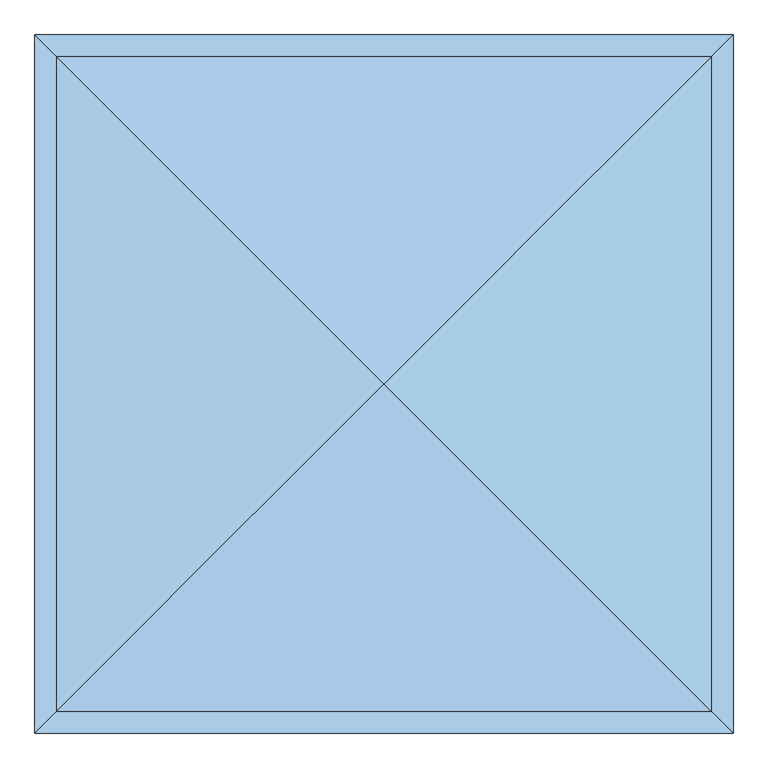
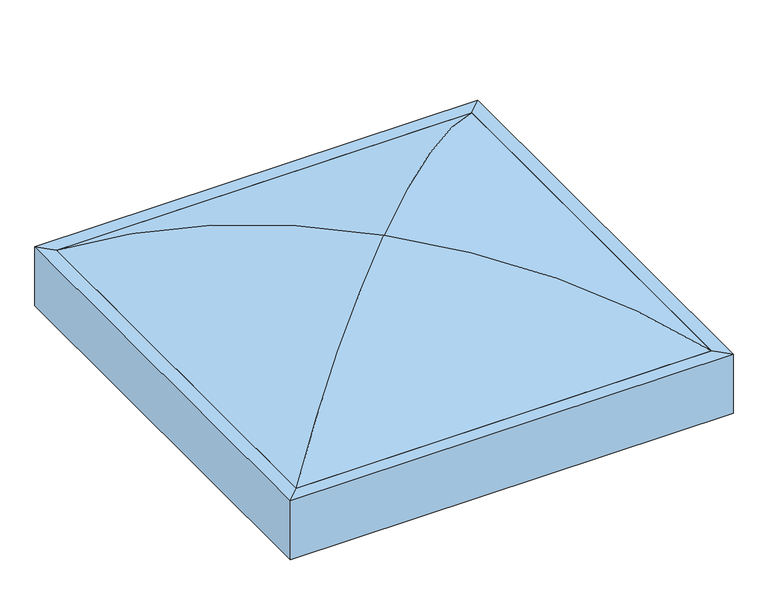
"""IFC4 building model written with IfcOpenShell, lengths in millimetres: window geometry."""

from ifc_helpers import new_model, si_unit, frame, origin, place, context, project, spatial, polyline, ellipse_curve, faceted_brep, source, transform, mapped, element, save
from ifc_brep_helpers import plane_surface, cylinder_surface, revolved_surface, advanced_brep


def window_821afcec(model_context):
    return source(origin(), model_context, "Body", "SolidModel", [
        advanced_brep(
        [(-680.0, 340.0, 3990.0), (-80.1, -259.9, 4189.999995), (-79.9, -259.9, 4189.999995), (520.0, 340.0, 3990.0), (-680.0, 340.0, 3984.330954), (520.0, 340.0, 3984.330954), (-80.1, -259.9, 4185.4705693), (-79.9, -259.9, 4185.4705693), (-79.9, -260.1, 4189.999995), (520.0, -860.0, 3990.0), (520.0, -860.0, 3984.330954), (-79.9, -260.1, 4185.4705693), (-80.1, -260.1, 4189.999995), (-680.0, -860.0, 3990.0), (-680.0, -860.0, 3984.330954), (-80.1, -260.1, 4185.4705693)],
        [
            (0, 1, ellipse_curve(frame((-80.0, -260.0, 3190.0), z_axis=(0.7071067811865478, 0.7071067811865474, 0.0), x_axis=(-0.7071067811865471, 0.7071067811865479, 0.0)), 1414.2135624, 1000.0)),
            (1, 2),
            (2, 3, ellipse_curve(frame((-80.0, -260.0, 3190.0), z_axis=(-0.7071067811865472, 0.7071067811865477, 0.0), x_axis=(-0.7071067811865479, -0.7071067811865471, 0.0)), 1414.2135624, 1000.0)),
            (3, 0),
            (4, 0),
            (3, 5),
            (5, 4),
            (6, 4, ellipse_curve(frame((-80.0, -260.0, 3190.0), z_axis=(-0.7071067811865478, -0.7071067811865474, 0.0), x_axis=(0.7071067811865471, -0.7071067811865479, 0.0)), 1407.8079872, 995.4705744)),
            (5, 7, ellipse_curve(frame((-80.0, -260.0, 3190.0), z_axis=(0.7071067811865472, -0.7071067811865477, 0.0), x_axis=(0.7071067811865479, 0.7071067811865471, 0.0)), 1407.8079872, 995.4705744)),
            (7, 6),
            (1, 6),
            (7, 2),
            (2, 8),
            (8, 9, ellipse_curve(frame((-80.0, -260.0, 3190.0), z_axis=(0.7071067811865478, 0.7071067811865471, 0.0), x_axis=(-0.707106781186547, 0.7071067811865479, 0.0)), 1414.2135624, 1000.0)),
            (9, 3),
            (9, 10),
            (10, 5),
            (10, 11, ellipse_curve(frame((-80.0, -260.0, 3190.0), z_axis=(-0.7071067811865478, -0.7071067811865471, 0.0), x_axis=(0.707106781186547, -0.7071067811865479, 0.0)), 1407.8079872, 995.4705744)),
            (11, 7),
            (11, 8),
            (8, 12),
            (12, 13, ellipse_curve(frame((-80.0, -260.0, 3190.0), z_axis=(0.7071067811865471, -0.7071067811865478, 0.0), x_axis=(0.7071067811865479, 0.707106781186547, 0.0)), 1414.2135624, 1000.0)),
            (13, 9),
            (13, 14),
            (14, 10),
            (14, 15, ellipse_curve(frame((-80.0, -260.0, 3190.0), z_axis=(-0.7071067811865471, 0.7071067811865478, 0.0), x_axis=(-0.7071067811865479, -0.707106781186547, 0.0)), 1407.8079872, 995.4705744)),
            (15, 11),
            (15, 12),
            (12, 1),
            (0, 13),
            (4, 14),
            (6, 15),
        ],
        [
            cylinder_surface(frame((-680.0, -260.0, 3190.0), z_axis=(-1.0, 0.0, 0.0), x_axis=(0.0, 1.0, 0.0)), 1000.0),
            plane_surface(frame((-680.0, 340.0, 3990.0), z_axis=(0.0, 1.0, 0.0), x_axis=(1.0, 0.0, 0.0))),
            revolved_surface(polyline([(915.4705743577049, 735.4705744, 3190.0), (-1075.470574357705, 735.4705744, 3190.0)]), (-680.0, -260.0, 3190.0), (1.0, 0.0, 0.0)),
            plane_surface(frame((-80.1, -259.9, 4185.4705693), z_axis=(0.0, -1.0, 0.0), x_axis=(1.0, 0.0, 0.0))),
            cylinder_surface(frame((-80.0, 340.0, 3190.0), z_axis=(0.0, 1.0, 0.0), x_axis=(1.0, 0.0, 0.0)), 1000.0),
            plane_surface(frame((520.0, 340.0, 3990.0), z_axis=(1.0, 0.0, 0.0), x_axis=(0.0, -1.0, 0.0))),
            revolved_surface(polyline([(915.4705744, -1255.470574357705, 3190.0), (915.4705744, 735.4705743577049, 3190.0)]), (-80.0, 340.0, 3190.0), (0.0, -1.0, 0.0)),
            plane_surface(frame((-79.9, -259.9, 4185.4705693), z_axis=(-1.0, 1.3535839116329176e-12, 0.0), x_axis=(-1.3535839116329176e-12, -1.0, 0.0))),
            cylinder_surface(frame((520.0, -260.0, 3190.0), z_axis=(1.0, 0.0, 0.0), x_axis=(0.0, -1.0, 0.0)), 1000.0),
            plane_surface(frame((520.0, -860.0, 3990.0), z_axis=(0.0, -1.0, 0.0), x_axis=(-1.0, 0.0, 0.0))),
            revolved_surface(polyline([(-1075.470574357705, -1255.4705744, 3190.0), (915.4705743577049, -1255.4705744, 3190.0)]), (520.0, -260.0, 3190.0), (-1.0, 0.0, 0.0)),
            plane_surface(frame((-79.9, -260.1, 4185.4705693), z_axis=(0.0, 1.0, 0.0), x_axis=(-1.0, 0.0, 0.0))),
            cylinder_surface(frame((-80.0, -860.0, 3190.0), z_axis=(0.0, -1.0, 0.0), x_axis=(-1.0, 0.0, 0.0)), 1000.0),
            plane_surface(frame((-680.0, -860.0, 3990.0), z_axis=(-1.0, 0.0, 0.0), x_axis=(0.0, 1.0, 0.0))),
            revolved_surface(polyline([(-1075.4705744, 735.4705743577049, 3190.0), (-1075.4705744, -1255.470574357705, 3190.0)]), (-80.0, -860.0, 3190.0), (0.0, 1.0, 0.0)),
            plane_surface(frame((-80.1, -260.1, 4185.4705693), z_axis=(1.0, 0.0, 0.0), x_axis=(0.0, 1.0, 0.0))),
        ],
        [
            (0, [[1, 2, 3, 4]]),
            (1, [[5, -4, 6, 7]]),
            (2, [[8, -7, 9, 10]]),
            (3, [[11, -10, 12, -2]]),
            (4, [[-3, 13, 14, 15]]),
            (5, [[-6, -15, 16, 17]]),
            (6, [[-9, -17, 18, 19]]),
            (7, [[-12, -19, 20, -13]]),
            (8, [[-14, 21, 22, 23]]),
            (9, [[-16, -23, 24, 25]]),
            (10, [[-18, -25, 26, 27]]),
            (11, [[-20, -27, 28, -21]]),
            (12, [[-22, 29, -1, 30]]),
            (13, [[-24, -30, -5, 31]]),
            (14, [[-26, -31, -8, 32]]),
            (15, [[-28, -32, -11, -29]]),
        ],
    ),
        faceted_brep([(-720.0, -900.0, 3990.0), (-720.0, -900.0, 3810.0), (560.0, -900.0, 3810.0), (560.0, -900.0, 3990.0), (-680.0, -860.0, 3990.0), (520.0, -860.0, 3990.0), (-680.0, -860.0, 3810.0), (520.0, -860.0, 3810.0), (560.0, 380.0, 3810.0), (560.0, 380.0, 3990.0), (520.0, 340.0, 3990.0), (520.0, 340.0, 3810.0), (-720.0, 380.0, 3810.0), (-720.0, 380.0, 3990.0), (-680.0, 340.0, 3990.0), (-680.0, 340.0, 3810.0)], [[[0, 1, 2, 3]], [[4, 0, 3, 5]], [[6, 4, 5, 7]], [[1, 6, 7, 2]], [[3, 2, 8, 9]], [[5, 3, 9, 10]], [[7, 5, 10, 11]], [[2, 7, 11, 8]], [[9, 8, 12, 13]], [[10, 9, 13, 14]], [[11, 10, 14, 15]], [[8, 11, 15, 12]], [[13, 12, 1, 0]], [[14, 13, 0, 4]], [[15, 14, 4, 6]], [[12, 15, 6, 1]]]),
    ])


if __name__ == "__main__":
    model = new_model("IFC4")
    model_context = context("Model", 3, world=origin())
    ifc_project = project(units=[si_unit("LENGTHUNIT", "METRE", prefix="MILLI")], contexts=[model_context])
    site = spatial("IfcSite", under=ifc_project)
    building = spatial("IfcBuilding", under=site)
    placement = place(None, origin())
    window_shape = window_821afcec(model_context)
    element("IfcWindow", 1, at=placement, inside=building, context=model_context, shape_type="MappedRepresentation", body=[
        mapped(window_shape, transform((0.0, 0.0, 0.0), x_axis=(1.0, 0.0, 0.0), y_axis=(0.0, 1.0, 0.0), z_axis=(0.0, 0.0, 1.0))),
    ])
    save(model, "model.ifc")
